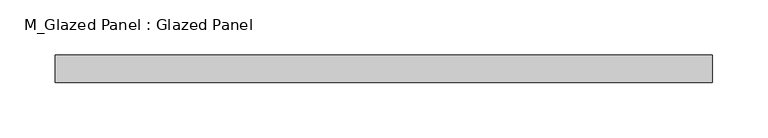
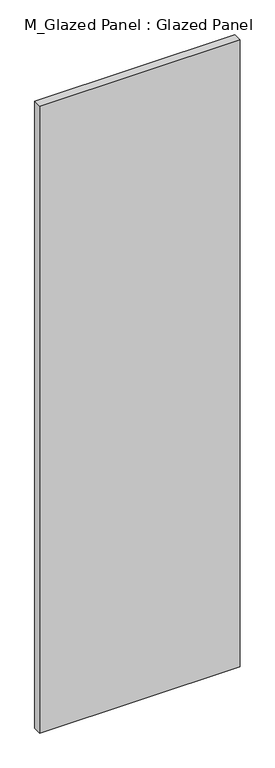
"""IFC4 building model written with IfcOpenShell, lengths in millimetres: plate geometry, M_Glazed Panel : Glazed Panel."""

from ifc_helpers import new_model, si_unit, origin, origin_with_axes, place, context, project, spatial, polyline, outline, extrude, source, transform, mapped, element, save


def m_glazed_panel_glazed_panel_c962639d(model_context):
    return source(origin(), model_context, "Body", "SweptSolid", [
        extrude(outline(polyline([(298.6704866, 38.5), (-298.6704866, 38.5), (-298.6704866, 63.5), (298.6704866, 63.5), (298.6704866, 38.5)])), origin_with_axes(), (0.0, 0.0, 1.0), 1975.0),
    ])


if __name__ == "__main__":
    model = new_model("IFC4")
    model_context = context("Model", 3, world=origin())
    ifc_project = project(units=[si_unit("LENGTHUNIT", "METRE", prefix="MILLI")], contexts=[model_context])
    site = spatial("IfcSite", under=ifc_project)
    building = spatial("IfcBuilding", under=site)
    placement = place(None, origin())
    m_glazed_panel_glazed_panel_shape = m_glazed_panel_glazed_panel_c962639d(model_context)
    element("IfcPlate", 1, ObjectType="M_Glazed Panel : Glazed Panel", at=placement, inside=building, context=model_context, shape_type="MappedRepresentation", body=[
        mapped(m_glazed_panel_glazed_panel_shape, transform((0.0, 0.0, 0.0), x_axis=(1.0, 0.0, 0.0), y_axis=(0.0, 1.0, 0.0), z_axis=(0.0, 0.0, 1.0))),
    ])
    save(model, "model.ifc")
